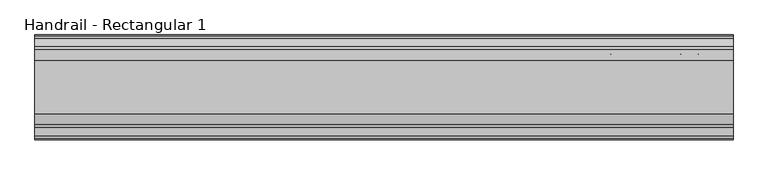
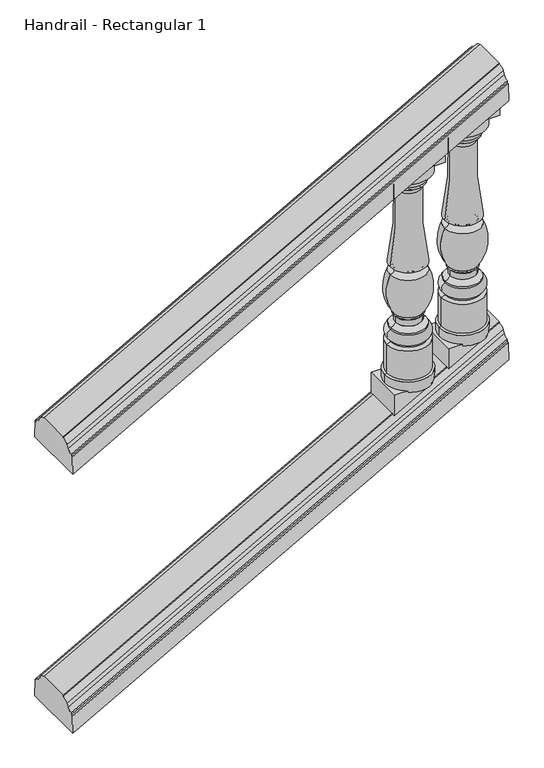
"""IFC4 building model written with IfcOpenShell, lengths in millimetres: railing geometry, Handrail - Rectangular 1."""

from ifc_helpers import new_model, si_unit, point, frame, origin, place, context, project, spatial, polyline, circle_curve, ellipse_curve, trimmed, outline, extrude, source, transform, mapped, element, save
from ifc_brep_helpers import plane_surface, cylinder_surface, revolved_surface, advanced_brep


def handrail_rectangular_1_1efd6c79(model_context):
    return source(origin(), model_context, "Body", "SolidModel", [
        advanced_brep(
        [(3621.9027138, 3915.5232089, 1190.2876381), (3621.9027138, 3932.6436506, 1201.5105164), (3621.9027138, 3939.1037227, 1212.3318474), (3621.9027138, 3963.1482089, 1222.9762638), (3621.9027138, 3963.1482089, 1226.6083333), (3621.9027138, 4079.0357089, 1226.6083333), (3621.9027138, 4079.0357089, 1222.9762638), (3621.9027138, 4103.080195, 1212.3318474), (3621.9027138, 4109.5402671, 1201.5105164), (3621.9027138, 4126.6607089, 1190.2876381), (3621.9027138, 4126.6607089, 1183.0234991), (3621.9027138, 4133.8044589, 1183.0234991), (3621.9027138, 4135.3919589, 1121.2783172), (3621.9027138, 3906.7919589, 1121.2783172), (3621.9027138, 3908.3794589, 1183.0234991), (3621.9027138, 3915.5232089, 1183.0234991), (5145.9027138, 3915.5232089, 2036.9543048), (5145.9027138, 3915.5232089, 2029.6901657), (5145.9027138, 3908.3794589, 2029.6901657), (5145.9027138, 3906.7919589, 1967.9449839), (5145.9027138, 4135.3919589, 1967.9449839), (5145.9027138, 4133.8044589, 2029.6901657), (5145.9027138, 4126.6607089, 2029.6901657), (5145.9027138, 4126.6607089, 2036.9543048), (5145.9027138, 4109.5402671, 2048.177183), (5145.9027138, 4103.080195, 2058.9985141), (5145.9027138, 4079.0357089, 2069.6429305), (5145.9027138, 4079.0357089, 2073.275), (5145.9027138, 3963.1482089, 2073.275), (5145.9027138, 3963.1482089, 2069.6429305), (5145.9027138, 3939.1037227, 2058.9985141), (5145.9027138, 3932.6436506, 2048.177183)],
        [
            (0, 1, ellipse_curve(frame((3621.9027138, 3915.5232089, 1212.9880726), z_axis=(1.0, 0.0, 0.0), x_axis=(0.0, 0.0, 0.9999999999999999)), 22.7004345, 19.84375)),
            (1, 2),
            (2, 3, ellipse_curve(frame((3621.9027138, 3963.1482089, 1182.1154817), z_axis=(-1.0, 0.0, 0.0), x_axis=(0.0, 0.0, -0.9999999999999999)), 40.8607821, 35.71875)),
            (3, 4),
            (4, 5),
            (5, 6),
            (6, 7, ellipse_curve(frame((3621.9027138, 4079.0357089, 1182.1154817), z_axis=(-1.0, 0.0, 0.0), x_axis=(0.0, 0.0, -0.9999999999999999)), 40.8607821, 35.71875)),
            (7, 8),
            (8, 9, ellipse_curve(frame((3621.9027138, 4126.6607089, 1212.9880726), z_axis=(1.0, 0.0, 0.0), x_axis=(0.0, 0.0, 0.9999999999999999)), 22.7004345, 19.84375)),
            (9, 10),
            (10, 11),
            (11, 12),
            (12, 13),
            (13, 14),
            (14, 15),
            (15, 0),
            (16, 17),
            (17, 18),
            (18, 19),
            (19, 20),
            (20, 21),
            (21, 22),
            (22, 23),
            (23, 24, ellipse_curve(frame((5145.9027138, 4126.6607089, 2059.6547393), z_axis=(-1.0, 0.0, 0.0), x_axis=(0.0, 0.0, 0.9999999999999999)), 22.7004345, 19.84375)),
            (24, 25),
            (25, 26, ellipse_curve(frame((5145.9027138, 4079.0357089, 2028.7821484), z_axis=(1.0, 0.0, 0.0), x_axis=(0.0, 0.0, -0.9999999999999999)), 40.8607821, 35.71875)),
            (26, 27),
            (27, 28),
            (28, 29),
            (29, 30, ellipse_curve(frame((5145.9027138, 3963.1482089, 2028.7821484), z_axis=(1.0, 0.0, 0.0), x_axis=(0.0, 0.0, -0.9999999999999999)), 40.8607821, 35.71875)),
            (30, 31),
            (31, 16, ellipse_curve(frame((5145.9027138, 3915.5232089, 2059.6547393), z_axis=(-1.0, 0.0, 0.0), x_axis=(0.0, 0.0, 0.9999999999999999)), 22.7004345, 19.84375)),
            (0, 16),
            (31, 1),
            (30, 2),
            (29, 3),
            (28, 4),
            (27, 5),
            (26, 6),
            (25, 7),
            (24, 8),
            (23, 9),
            (22, 10),
            (21, 11),
            (20, 12),
            (19, 13),
            (18, 14),
            (17, 15),
        ],
        [
            plane_surface(frame((3621.9027138, 4021.0919589, 1226.6083333), z_axis=(-1.0, 0.0, 0.0), x_axis=(0.0, 1.0, 0.0))),
            plane_surface(frame((5145.9027138, 4021.0919589, 2073.275), z_axis=(1.0, 0.0, 0.0), x_axis=(0.0, 1.0, 0.0))),
            revolved_surface(polyline([(5160.412238148919, 3932.643650672254, 2056.238029971944), (3617.138284313958, 3932.643650672254, 1198.8636111748774)]), (3627.6848999, 3915.5232089, 1216.2003983), (0.8741572761215701, 0.0, 0.48564293117857416)),
            plane_surface(frame((3621.9027138, 3932.6436506, 1201.5105164), z_axis=(-0.2738809454168558, -0.8258052588880854, 0.4929857017504176), x_axis=(0.87415727612157, 0.0, 0.48564293117857404))),
            cylinder_surface(frame((3640.7911885, 3963.1482089, 1192.6090788), z_axis=(-0.87415727612157, 0.0, -0.48564293117857404), x_axis=(-0.48564293117857404, 0.0, 0.87415727612157)), 35.71875),
            plane_surface(frame((3621.9027138, 3963.1482089, 1222.9762638), z_axis=(0.0, -1.0, 0.0), x_axis=(0.87415727612157, 0.0, 0.48564293117857404))),
            plane_surface(frame((3621.9027138, 3963.1482089, 1226.6083333), z_axis=(-0.48564293117857404, 0.0, 0.87415727612157), x_axis=(0.87415727612157, 0.0, 0.48564293117857404))),
            plane_surface(frame((3621.9027138, 4079.0357089, 1226.6083333), z_axis=(0.0, 1.0, 0.0), x_axis=(0.87415727612157, 0.0, 0.48564293117857404))),
            cylinder_surface(frame((3640.7911885, 4079.0357089, 1192.6090788), z_axis=(-0.87415727612157, 0.0, -0.48564293117857404), x_axis=(-0.48564293117857404, 0.0, 0.87415727612157)), 35.71875),
            plane_surface(frame((3621.9027138, 4103.080195, 1212.3318474), z_axis=(-0.27388094541685143, 0.8258052588880916, 0.4929857017504096), x_axis=(0.87415727612157, 0.0, 0.48564293117857404))),
            revolved_surface(polyline([(5160.412238148919, 4109.540267127746, 2056.2380299719434), (3617.138284313958, 4109.540267127746, 1198.8636111748774)]), (3627.6848999, 4126.6607089, 1216.2003983), (0.87415727612157, 0.0, 0.48564293117857404)),
            plane_surface(frame((3621.9027138, 4126.6607089, 1190.2876381), z_axis=(0.0, 1.0, 0.0), x_axis=(0.87415727612157, 0.0, 0.48564293117857404))),
            plane_surface(frame((3621.9027138, 4126.6607089, 1183.0234991), z_axis=(-0.48564293117857404, 0.0, 0.87415727612157), x_axis=(0.87415727612157, 0.0, 0.48564293117857404))),
            plane_surface(frame((3621.9027138, 4133.8044589, 1183.0234991), z_axis=(-0.014277441593813292, 0.9995677544643531, 0.025699394868867947), x_axis=(0.87415727612157, 0.0, 0.48564293117857404))),
            plane_surface(frame((3621.9027138, 4135.3919589, 1121.2783172), z_axis=(0.48564293117857404, 0.0, -0.87415727612157), x_axis=(0.87415727612157, 0.0, 0.48564293117857404))),
            plane_surface(frame((3621.9027138, 3906.7919589, 1121.2783172), z_axis=(-0.014277441593813443, -0.9995677544643531, 0.025699394868868217), x_axis=(0.87415727612157, 0.0, 0.48564293117857404))),
            plane_surface(frame((3621.9027138, 3908.3794589, 1183.0234991), z_axis=(-0.48564293117857404, 0.0, 0.87415727612157), x_axis=(0.87415727612157, 0.0, 0.48564293117857404))),
            plane_surface(frame((3621.9027138, 3915.5232089, 1183.0234991), z_axis=(0.0, -1.0, 0.0), x_axis=(0.87415727612157, 0.0, 0.48564293117857404))),
        ],
        [
            (0, [[1, 2, 3, 4, 5, 6, 7, 8, 9, 10, 11, 12, 13, 14, 15, 16]]),
            (1, [[17, 18, 19, 20, 21, 22, 23, 24, 25, 26, 27, 28, 29, 30, 31, 32]]),
            (2, [[-1, 33, -32, 34]]),
            (3, [[-2, -34, -31, 35]]),
            (4, [[-3, -35, -30, 36]]),
            (5, [[-4, -36, -29, 37]]),
            (6, [[-5, -37, -28, 38]]),
            (7, [[-6, -38, -27, 39]]),
            (8, [[-7, -39, -26, 40]]),
            (9, [[-8, -40, -25, 41]]),
            (10, [[-9, -41, -24, 42]]),
            (11, [[-10, -42, -23, 43]]),
            (12, [[-11, -43, -22, 44]]),
            (13, [[-12, -44, -21, 45]]),
            (14, [[-13, -45, -20, 46]]),
            (15, [[-14, -46, -19, 47]]),
            (16, [[-15, -47, -18, 48]]),
            (17, [[-16, -48, -17, -33]]),
        ],
    ),
        advanced_brep(
        [(3621.9027138, 3915.5232089, 234.6126381), (3621.9027138, 3932.6436506, 245.8355164), (3621.9027138, 3939.1037227, 256.6568474), (3621.9027138, 3963.1482089, 267.3012638), (3621.9027138, 3963.1482089, 270.9333333), (3621.9027138, 4079.0357089, 270.9333333), (3621.9027138, 4079.0357089, 267.3012638), (3621.9027138, 4103.080195, 256.6568474), (3621.9027138, 4109.5402671, 245.8355164), (3621.9027138, 4126.6607089, 234.6126381), (3621.9027138, 4126.6607089, 227.3484991), (3621.9027138, 4133.8044589, 227.3484991), (3621.9027138, 4135.3919589, 165.6033172), (3621.9027138, 3906.7919589, 165.6033172), (3621.9027138, 3908.3794589, 227.3484991), (3621.9027138, 3915.5232089, 227.3484991), (5145.9027138, 3915.5232089, 1081.2793048), (5145.9027138, 3915.5232089, 1074.0151657), (5145.9027138, 3908.3794589, 1074.0151657), (5145.9027138, 3906.7919589, 1012.2699839), (5145.9027138, 4135.3919589, 1012.2699839), (5145.9027138, 4133.8044589, 1074.0151657), (5145.9027138, 4126.6607089, 1074.0151657), (5145.9027138, 4126.6607089, 1081.2793048), (5145.9027138, 4109.5402671, 1092.502183), (5145.9027138, 4103.080195, 1103.3235141), (5145.9027138, 4079.0357089, 1113.9679305), (5145.9027138, 4079.0357089, 1117.6), (5145.9027138, 3963.1482089, 1117.6), (5145.9027138, 3963.1482089, 1113.9679305), (5145.9027138, 3939.1037227, 1103.3235141), (5145.9027138, 3932.6436506, 1092.502183)],
        [
            (0, 1, ellipse_curve(frame((3621.9027138, 3915.5232089, 257.3130726), z_axis=(1.0, 0.0, 0.0), x_axis=(0.0, 0.0, 0.9999999999999999)), 22.7004345, 19.84375)),
            (1, 2),
            (2, 3, ellipse_curve(frame((3621.9027138, 3963.1482089, 226.4404817), z_axis=(-1.0, 0.0, 0.0), x_axis=(0.0, 0.0, -0.9999999999999999)), 40.8607821, 35.71875)),
            (3, 4),
            (4, 5),
            (5, 6),
            (6, 7, ellipse_curve(frame((3621.9027138, 4079.0357089, 226.4404817), z_axis=(-1.0, 0.0, 0.0), x_axis=(0.0, 0.0, -0.9999999999999999)), 40.8607821, 35.71875)),
            (7, 8),
            (8, 9, ellipse_curve(frame((3621.9027138, 4126.6607089, 257.3130726), z_axis=(1.0, 0.0, 0.0), x_axis=(0.0, 0.0, 0.9999999999999999)), 22.7004345, 19.84375)),
            (9, 10),
            (10, 11),
            (11, 12),
            (12, 13),
            (13, 14),
            (14, 15),
            (15, 0),
            (16, 17),
            (17, 18),
            (18, 19),
            (19, 20),
            (20, 21),
            (21, 22),
            (22, 23),
            (23, 24, ellipse_curve(frame((5145.9027138, 4126.6607089, 1103.9797393), z_axis=(-1.0, 0.0, 0.0), x_axis=(0.0, 0.0, 0.9999999999999999)), 22.7004345, 19.84375)),
            (24, 25),
            (25, 26, ellipse_curve(frame((5145.9027138, 4079.0357089, 1073.1071484), z_axis=(1.0, 0.0, 0.0), x_axis=(0.0, 0.0, -0.9999999999999999)), 40.8607821, 35.71875)),
            (26, 27),
            (27, 28),
            (28, 29),
            (29, 30, ellipse_curve(frame((5145.9027138, 3963.1482089, 1073.1071484), z_axis=(1.0, 0.0, 0.0), x_axis=(0.0, 0.0, -0.9999999999999999)), 40.8607821, 35.71875)),
            (30, 31),
            (31, 16, ellipse_curve(frame((5145.9027138, 3915.5232089, 1103.9797393), z_axis=(-1.0, 0.0, 0.0), x_axis=(0.0, 0.0, 0.9999999999999999)), 22.7004345, 19.84375)),
            (0, 16),
            (31, 1),
            (30, 2),
            (29, 3),
            (28, 4),
            (27, 5),
            (26, 6),
            (25, 7),
            (24, 8),
            (23, 9),
            (22, 10),
            (21, 11),
            (20, 12),
            (19, 13),
            (18, 14),
            (17, 15),
        ],
        [
            plane_surface(frame((3621.9027138, 4021.0919589, 270.9333333), z_axis=(-1.0, 0.0, 0.0), x_axis=(0.0, 1.0, 0.0))),
            plane_surface(frame((5145.9027138, 4021.0919589, 1117.6), z_axis=(1.0, 0.0, 0.0), x_axis=(0.0, 1.0, 0.0))),
            revolved_surface(polyline([(5160.412238148919, 3932.643650672254, 1100.5630299719437), (3617.138284313958, 3932.643650672254, 243.1886111748774)]), (3627.6848999, 3915.5232089, 260.5253983), (0.8741572761215701, 0.0, 0.48564293117857416)),
            plane_surface(frame((3621.9027138, 3932.6436506, 245.8355164), z_axis=(-0.2738809454168558, -0.8258052588880854, 0.4929857017504176), x_axis=(0.87415727612157, 0.0, 0.48564293117857404))),
            cylinder_surface(frame((3640.7911885, 3963.1482089, 236.9340788), z_axis=(-0.87415727612157, 0.0, -0.48564293117857404), x_axis=(-0.48564293117857404, 0.0, 0.87415727612157)), 35.71875),
            plane_surface(frame((3621.9027138, 3963.1482089, 267.3012638), z_axis=(0.0, -1.0, 0.0), x_axis=(0.87415727612157, 0.0, 0.48564293117857404))),
            plane_surface(frame((3621.9027138, 3963.1482089, 270.9333333), z_axis=(-0.48564293117857404, 0.0, 0.87415727612157), x_axis=(0.87415727612157, 0.0, 0.48564293117857404))),
            plane_surface(frame((3621.9027138, 4079.0357089, 270.9333333), z_axis=(0.0, 1.0, 0.0), x_axis=(0.87415727612157, 0.0, 0.48564293117857404))),
            cylinder_surface(frame((3640.7911885, 4079.0357089, 236.9340788), z_axis=(-0.87415727612157, 0.0, -0.48564293117857404), x_axis=(-0.48564293117857404, 0.0, 0.87415727612157)), 35.71875),
            plane_surface(frame((3621.9027138, 4103.080195, 256.6568474), z_axis=(-0.27388094541685143, 0.8258052588880916, 0.4929857017504096), x_axis=(0.87415727612157, 0.0, 0.48564293117857404))),
            revolved_surface(polyline([(5160.412238148918, 4109.540267127746, 1100.5630299719435), (3617.138284313958, 4109.540267127746, 243.18861117487748)]), (3627.6848999, 4126.6607089, 260.5253983), (0.87415727612157, 0.0, 0.48564293117857404)),
            plane_surface(frame((3621.9027138, 4126.6607089, 234.6126381), z_axis=(0.0, 1.0, 0.0), x_axis=(0.87415727612157, 0.0, 0.48564293117857404))),
            plane_surface(frame((3621.9027138, 4126.6607089, 227.3484991), z_axis=(-0.48564293117857404, 0.0, 0.87415727612157), x_axis=(0.87415727612157, 0.0, 0.48564293117857404))),
            plane_surface(frame((3621.9027138, 4133.8044589, 227.3484991), z_axis=(-0.014277441593813292, 0.9995677544643531, 0.025699394868867947), x_axis=(0.87415727612157, 0.0, 0.48564293117857404))),
            plane_surface(frame((3621.9027138, 4135.3919589, 165.6033172), z_axis=(0.48564293117857404, 0.0, -0.87415727612157), x_axis=(0.87415727612157, 0.0, 0.48564293117857404))),
            plane_surface(frame((3621.9027138, 3906.7919589, 165.6033172), z_axis=(-0.014277441593813443, -0.9995677544643531, 0.025699394868868217), x_axis=(0.87415727612157, 0.0, 0.48564293117857404))),
            plane_surface(frame((3621.9027138, 3908.3794589, 227.3484991), z_axis=(-0.48564293117857404, 0.0, 0.87415727612157), x_axis=(0.87415727612157, 0.0, 0.48564293117857404))),
            plane_surface(frame((3621.9027138, 3915.5232089, 227.3484991), z_axis=(0.0, -1.0, 0.0), x_axis=(0.87415727612157, 0.0, 0.48564293117857404))),
        ],
        [
            (0, [[1, 2, 3, 4, 5, 6, 7, 8, 9, 10, 11, 12, 13, 14, 15, 16]]),
            (1, [[17, 18, 19, 20, 21, 22, 23, 24, 25, 26, 27, 28, 29, 30, 31, 32]]),
            (2, [[-1, 33, -32, 34]]),
            (3, [[-2, -34, -31, 35]]),
            (4, [[-3, -35, -30, 36]]),
            (5, [[-4, -36, -29, 37]]),
            (6, [[-5, -37, -28, 38]]),
            (7, [[-6, -38, -27, 39]]),
            (8, [[-7, -39, -26, 40]]),
            (9, [[-8, -40, -25, 41]]),
            (10, [[-9, -41, -24, 42]]),
            (11, [[-10, -42, -23, 43]]),
            (12, [[-11, -43, -22, 44]]),
            (13, [[-12, -44, -21, 45]]),
            (14, [[-13, -45, -20, 46]]),
            (15, [[-14, -46, -19, 47]]),
            (16, [[-15, -47, -18, 48]]),
            (17, [[-16, -48, -17, -33]]),
        ],
    ),
        advanced_brep(
        [(5050.6527138, 4021.0919589, 1896.2558253), (4971.2777138, 4021.0919589, 1896.2558253), (5130.0277138, 4021.0919589, 1896.2558253), (5131.6152138, 4021.0919589, 1083.4558253), (4969.6902138, 4021.0919589, 1083.4558253), (5050.6527138, 4021.0919589, 1083.4558253), (5131.6152138, 4021.0919589, 1121.7343794), (4969.6902138, 4021.0919589, 1121.7343794), (5124.4714638, 4021.0919589, 1124.7308253), (4976.8339638, 4021.0919589, 1124.7308253), (5124.4714638, 4021.0919589, 1231.1893537), (4976.8339638, 4021.0919589, 1231.1893537), (5111.7714638, 4021.0919589, 1236.6495753), (4989.5339638, 4021.0919589, 1236.6495753), (5111.7714638, 4021.0919589, 1242.9995753), (4989.5339638, 4021.0919589, 1242.9995753), (5111.7714638, 4021.0919589, 1281.0995753), (4989.5339638, 4021.0919589, 1281.0995753), (5111.7714638, 4021.0919589, 1287.4495753), (4989.5339638, 4021.0919589, 1287.4495753), (5096.0645677, 4021.0919589, 1303.7319843), (5005.2408598, 4021.0919589, 1303.7319843), (5096.0645677, 4021.0919589, 1325.3464512), (5005.2408598, 4021.0919589, 1325.3464512), (5100.6589638, 4021.0919589, 1330.3120753), (5000.6464638, 4021.0919589, 1330.3120753), (5100.6589638, 4021.0919589, 1337.9401011), (5000.6464638, 4021.0919589, 1337.9401011), (5113.3589638, 4021.0919589, 1484.2995753), (4987.9464638, 4021.0919589, 1484.2995753), (5113.3589638, 4021.0919589, 1512.8745753), (4987.9464638, 4021.0919589, 1512.8745753), (5094.8248619, 4021.0919589, 1792.6271858), (5006.4805656, 4021.0919589, 1792.6271858), (5107.8027138, 4021.0919589, 1814.4995753), (4993.5027138, 4021.0919589, 1814.4995753), (5107.8027138, 4021.0919589, 1823.2308253), (4993.5027138, 4021.0919589, 1823.2308253), (5118.9152138, 4021.0919589, 1848.6308253), (4982.3902138, 4021.0919589, 1848.6308253), (5130.0277138, 4021.0919589, 1851.8058253), (4971.2777138, 4021.0919589, 1851.8058253)],
        [
            (0, 1),
            (1, 2, circle_curve(frame((5050.6527138, 4021.0919589, 1896.2558253), z_axis=(0.0, 0.0, 1.0), x_axis=(-1.0, 0.0, 0.0)), 79.375)),
            (2, 0),
            (2, 1, circle_curve(frame((5050.6527138, 4021.0919589, 1896.2558253), z_axis=(0.0, 0.0, 1.0), x_axis=(-1.0, 0.0, 0.0)), 79.375)),
            (3, 4, circle_curve(frame((5050.6527138, 4021.0919589, 1083.4558253), z_axis=(0.0, 0.0, -1.0), x_axis=(-1.0, 0.0, 0.0)), 80.9625)),
            (4, 5),
            (5, 3),
            (4, 3, circle_curve(frame((5050.6527138, 4021.0919589, 1083.4558253), z_axis=(0.0, 0.0, -1.0), x_axis=(-1.0, 0.0, 0.0)), 80.9625)),
            (6, 7, circle_curve(frame((5050.6527138, 4021.0919589, 1121.7343794), z_axis=(0.0, 0.0, -1.0), x_axis=(-1.0, 0.0, 0.0)), 80.9625)),
            (7, 4),
            (3, 6),
            (7, 6, circle_curve(frame((5050.6527138, 4021.0919589, 1121.7343794), z_axis=(0.0, 0.0, -1.0), x_axis=(-1.0, 0.0, 0.0)), 80.9625)),
            (8, 9, circle_curve(frame((5050.6527138, 4021.0919589, 1124.7308253), z_axis=(0.0, 0.0, -1.0), x_axis=(-1.0, 0.0, 0.0)), 73.81875)),
            (9, 7),
            (6, 8),
            (9, 8, circle_curve(frame((5050.6527138, 4021.0919589, 1124.7308253), z_axis=(0.0, 0.0, -1.0), x_axis=(-1.0, 0.0, 0.0)), 73.81875)),
            (10, 11, circle_curve(frame((5050.6527138, 4021.0919589, 1231.1893537), z_axis=(0.0, 0.0, -1.0), x_axis=(-1.0, 0.0, 0.0)), 73.81875)),
            (11, 9),
            (8, 10),
            (11, 10, circle_curve(frame((5050.6527138, 4021.0919589, 1231.1893537), z_axis=(0.0, 0.0, -1.0), x_axis=(-1.0, 0.0, 0.0)), 73.81875)),
            (12, 13, circle_curve(frame((5050.6527138, 4021.0919589, 1236.6495753), z_axis=(0.0, 0.0, -1.0), x_axis=(-1.0, 0.0, 0.0)), 61.11875)),
            (13, 11),
            (10, 12),
            (13, 12, circle_curve(frame((5050.6527138, 4021.0919589, 1236.6495753), z_axis=(0.0, 0.0, -1.0), x_axis=(-1.0, 0.0, 0.0)), 61.11875)),
            (14, 15, circle_curve(frame((5050.6527138, 4021.0919589, 1242.9995753), z_axis=(0.0, 0.0, -1.0), x_axis=(-1.0, 0.0, 0.0)), 61.11875)),
            (15, 13),
            (12, 14),
            (15, 14, circle_curve(frame((5050.6527138, 4021.0919589, 1242.9995753), z_axis=(0.0, 0.0, -1.0), x_axis=(-1.0, 0.0, 0.0)), 61.11875)),
            (16, 17, circle_curve(frame((5050.6527138, 4021.0919589, 1281.0995753), z_axis=(0.0, 0.0, -1.0), x_axis=(-1.0, 0.0, 0.0)), 61.11875)),
            (17, 15, circle_curve(frame((4997.799274, 4021.0919589, 1262.0495753), z_axis=(0.0, -1.0, 0.0), x_axis=(1.0, 0.0, 0.0)), 20.7657856)),
            (14, 16, circle_curve(frame((5103.5061535, 4021.0919589, 1262.0495753), z_axis=(0.0, -1.0, 0.0), x_axis=(-1.0, 0.0, 0.0)), 20.7657856)),
            (17, 16, circle_curve(frame((5050.6527138, 4021.0919589, 1281.0995753), z_axis=(0.0, 0.0, -1.0), x_axis=(-1.0, 0.0, 0.0)), 61.11875)),
            (18, 19, circle_curve(frame((5050.6527138, 4021.0919589, 1287.4495753), z_axis=(0.0, 0.0, -1.0), x_axis=(-1.0, 0.0, 0.0)), 61.11875)),
            (19, 17),
            (16, 18),
            (19, 18, circle_curve(frame((5050.6527138, 4021.0919589, 1287.4495753), z_axis=(0.0, 0.0, -1.0), x_axis=(-1.0, 0.0, 0.0)), 61.11875)),
            (20, 21, circle_curve(frame((5050.6527138, 4021.0919589, 1303.7319843), z_axis=(0.0, 0.0, -1.0), x_axis=(-1.0, 0.0, 0.0)), 45.4118539)),
            (21, 19, circle_curve(frame((4990.0009363, 4021.0919589, 1302.7161752), z_axis=(0.0, 1.0, 0.0), x_axis=(1.0, 0.0, 0.0)), 15.2737402)),
            (18, 20, circle_curve(frame((5111.3044912, 4021.0919589, 1302.7161752), z_axis=(0.0, 1.0, 0.0), x_axis=(-1.0, 0.0, 0.0)), 15.2737402)),
            (21, 20, circle_curve(frame((5050.6527138, 4021.0919589, 1303.7319843), z_axis=(0.0, 0.0, -1.0), x_axis=(-1.0, 0.0, 0.0)), 45.4118539)),
            (22, 23, circle_curve(frame((5050.6527138, 4021.0919589, 1325.3464512), z_axis=(0.0, 0.0, -1.0), x_axis=(-1.0, 0.0, 0.0)), 45.4118539)),
            (23, 21),
            (20, 22),
            (23, 22, circle_curve(frame((5050.6527138, 4021.0919589, 1325.3464512), z_axis=(0.0, 0.0, -1.0), x_axis=(-1.0, 0.0, 0.0)), 45.4118539)),
            (24, 25, circle_curve(frame((5050.6527138, 4021.0919589, 1330.3120753), z_axis=(0.0, 0.0, -1.0), x_axis=(-1.0, 0.0, 0.0)), 50.00625)),
            (25, 23, circle_curve(frame((5000.3946173, 4021.0919589, 1325.4707842), z_axis=(0.0, 1.0, 0.0), x_axis=(1.0, 0.0, 0.0)), 4.8478372)),
            (22, 24, circle_curve(frame((5100.9108102, 4021.0919589, 1325.4707842), z_axis=(0.0, 1.0, 0.0), x_axis=(-1.0, 0.0, 0.0)), 4.8478372)),
            (25, 24, circle_curve(frame((5050.6527138, 4021.0919589, 1330.3120753), z_axis=(0.0, 0.0, -1.0), x_axis=(-1.0, 0.0, 0.0)), 50.00625)),
            (26, 27, circle_curve(frame((5050.6527138, 4021.0919589, 1337.9401011), z_axis=(0.0, 0.0, -1.0), x_axis=(-1.0, 0.0, 0.0)), 50.00625)),
            (27, 25),
            (24, 26),
            (27, 26, circle_curve(frame((5050.6527138, 4021.0919589, 1337.9401011), z_axis=(0.0, 0.0, -1.0), x_axis=(-1.0, 0.0, 0.0)), 50.00625)),
            (28, 29, circle_curve(frame((5050.6527138, 4021.0919589, 1484.2995753), z_axis=(0.0, 0.0, -1.0), x_axis=(-1.0, 0.0, 0.0)), 62.70625)),
            (29, 27, circle_curve(frame((5118.2834448, 4021.0919589, 1421.8785176), z_axis=(0.0, -1.0, 0.0), x_axis=(1.0, 0.0, 0.0)), 144.5133802)),
            (26, 28, circle_curve(frame((4983.0219827, 4021.0919589, 1421.8785176), z_axis=(0.0, -1.0, 0.0), x_axis=(-1.0, 0.0, 0.0)), 144.5133802)),
            (29, 28, circle_curve(frame((5050.6527138, 4021.0919589, 1484.2995753), z_axis=(0.0, 0.0, -1.0), x_axis=(-1.0, 0.0, 0.0)), 62.70625)),
            (30, 31, circle_curve(frame((5050.6527138, 4021.0919589, 1512.8745753), z_axis=(0.0, 0.0, -1.0), x_axis=(-1.0, 0.0, 0.0)), 62.70625)),
            (31, 29, circle_curve(frame((4988.794587, 4021.0919589, 1498.5870753), z_axis=(0.0, 1.0, 0.0), x_axis=(1.0, 0.0, 0.0)), 14.3126507)),
            (28, 30, circle_curve(frame((5112.5108405, 4021.0919589, 1498.5870753), z_axis=(0.0, 1.0, 0.0), x_axis=(-1.0, 0.0, 0.0)), 14.3126507)),
            (31, 30, circle_curve(frame((5050.6527138, 4021.0919589, 1512.8745753), z_axis=(0.0, 0.0, -1.0), x_axis=(-1.0, 0.0, 0.0)), 62.70625)),
            (32, 33, circle_curve(frame((5050.6527138, 4021.0919589, 1792.6271858), z_axis=(0.0, 0.0, -1.0), x_axis=(-1.0, 0.0, 0.0)), 44.1721482)),
            (33, 31, circle_curve(frame((3876.6612152, 4021.0919589, 1726.9894387), z_axis=(0.0, 1.0, 0.0), x_axis=(1.0, 0.0, 0.0)), 1131.7243827)),
            (30, 32, circle_curve(frame((6224.6442123, 4021.0919589, 1726.9894387), z_axis=(0.0, 1.0, 0.0), x_axis=(-1.0, 0.0, 0.0)), 1131.7243827)),
            (33, 32, circle_curve(frame((5050.6527138, 4021.0919589, 1792.6271858), z_axis=(0.0, 0.0, -1.0), x_axis=(-1.0, 0.0, 0.0)), 44.1721482)),
            (34, 35, circle_curve(frame((5050.6527138, 4021.0919589, 1814.4995753), z_axis=(0.0, 0.0, -1.0), x_axis=(-1.0, 0.0, 0.0)), 57.15)),
            (35, 33, circle_curve(frame((4985.4582609, 4021.0919589, 1794.9400869), z_axis=(0.0, 1.0, 0.0), x_axis=(1.0, 0.0, 0.0)), 21.1491562)),
            (32, 34, circle_curve(frame((5115.8471666, 4021.0919589, 1794.9400869), z_axis=(0.0, 1.0, 0.0), x_axis=(-1.0, 0.0, 0.0)), 21.1491562)),
            (35, 34, circle_curve(frame((5050.6527138, 4021.0919589, 1814.4995753), z_axis=(0.0, 0.0, -1.0), x_axis=(-1.0, 0.0, 0.0)), 57.15)),
            (36, 37, circle_curve(frame((5050.6527138, 4021.0919589, 1823.2308253), z_axis=(0.0, 0.0, -1.0), x_axis=(-1.0, 0.0, 0.0)), 57.15)),
            (37, 35),
            (34, 36),
            (37, 36, circle_curve(frame((5050.6527138, 4021.0919589, 1823.2308253), z_axis=(0.0, 0.0, -1.0), x_axis=(-1.0, 0.0, 0.0)), 57.15)),
            (38, 39, circle_curve(frame((5050.6527138, 4021.0919589, 1848.6308253), z_axis=(0.0, 0.0, -1.0), x_axis=(-1.0, 0.0, 0.0)), 68.2625)),
            (39, 37, circle_curve(frame((5011.7278186, 4021.0919589, 1846.335168), z_axis=(0.0, -1.0, 0.0), x_axis=(1.0, 0.0, 0.0)), 29.4272849)),
            (36, 38, circle_curve(frame((5089.5776089, 4021.0919589, 1846.335168), z_axis=(0.0, -1.0, 0.0), x_axis=(-1.0, 0.0, 0.0)), 29.4272849)),
            (39, 38, circle_curve(frame((5050.6527138, 4021.0919589, 1848.6308253), z_axis=(0.0, 0.0, -1.0), x_axis=(-1.0, 0.0, 0.0)), 68.2625)),
            (40, 41, circle_curve(frame((5050.6527138, 4021.0919589, 1851.8058253), z_axis=(0.0, 0.0, -1.0), x_axis=(-1.0, 0.0, 0.0)), 79.375)),
            (41, 39),
            (38, 40),
            (41, 40, circle_curve(frame((5050.6527138, 4021.0919589, 1851.8058253), z_axis=(0.0, 0.0, -1.0), x_axis=(-1.0, 0.0, 0.0)), 79.375)),
            (1, 41),
            (40, 2),
        ],
        [
            plane_surface(frame((5050.6527138, 4021.0919589, 1896.2558253), z_axis=(0.0, 0.0, 1.0), x_axis=(-1.0, 0.0, 0.0))),
            plane_surface(frame((5050.6527138, 4021.0919589, 1083.4558253), z_axis=(0.0, 0.0, -1.0), x_axis=(-1.0, 0.0, 0.0))),
            cylinder_surface(frame((5050.6527138, 4021.0919589, 1966.1058253), z_axis=(0.0, 0.0, 1.0), x_axis=(-1.0, 0.0, 0.0)), 80.9625),
            revolved_surface(polyline([(4969.6902138, 4021.0919589, 1121.7343794), (4976.8339638, 4021.0919589, 1124.7308253)]), (5050.6527138, 4021.0919589, 1966.1058253), (0.0, 0.0, 1.0)),
            cylinder_surface(frame((5050.6527138, 4021.0919589, 1966.1058253), z_axis=(0.0, 0.0, 1.0), x_axis=(-1.0, 0.0, 0.0)), 73.81875),
            revolved_surface(polyline([(4976.8339638, 4021.0919589, 1231.1893537), (4989.5339638, 4021.0919589, 1236.6495753)]), (5050.6527138, 4021.0919589, 1966.1058253), (0.0, 0.0, 1.0)),
            cylinder_surface(frame((5050.6527138, 4021.0919589, 1966.1058253), z_axis=(0.0, 0.0, 1.0), x_axis=(-1.0, 0.0, 0.0)), 61.11875),
            revolved_surface(trimmed(ellipse_curve(frame((4997.799274, 4021.0919589, 1262.0495753), z_axis=(0.0, 1.0, 0.0), x_axis=(1.0, 0.0, 0.0)), 20.7657856, 20.7657856), [point((4989.5339638, 4021.0919589, 1242.9995753))], [point((4989.5339638, 4021.0919589, 1281.0995753))], True, "CARTESIAN"), (5050.6527138, 4021.0919589, 1966.1058253), (0.0, 0.0, 1.0)),
            revolved_surface(trimmed(ellipse_curve(frame((4990.0009363, 4021.0919589, 1302.7161752), z_axis=(0.0, -1.0, 0.0), x_axis=(1.0, 0.0, 0.0)), 15.2737402, 15.2737402), [point((4989.5339638, 4021.0919589, 1287.4495753))], [point((5005.2408598, 4021.0919589, 1303.7319843))], True, "CARTESIAN"), (5050.6527138, 4021.0919589, 1966.1058253), (0.0, 0.0, 1.0)),
            cylinder_surface(frame((5050.6527138, 4021.0919589, 1966.1058253), z_axis=(0.0, 0.0, 1.0), x_axis=(-1.0, 0.0, 0.0)), 45.4118539),
            revolved_surface(trimmed(ellipse_curve(frame((5000.3946173, 4021.0919589, 1325.4707842), z_axis=(0.0, -1.0, 0.0), x_axis=(1.0, 0.0, 0.0)), 4.8478372, 4.8478372), [point((5005.2408598, 4021.0919589, 1325.3464512))], [point((5000.6464638, 4021.0919589, 1330.3120753))], True, "CARTESIAN"), (5050.6527138, 4021.0919589, 1966.1058253), (0.0, 0.0, 1.0)),
            cylinder_surface(frame((5050.6527138, 4021.0919589, 1966.1058253), z_axis=(0.0, 0.0, 1.0), x_axis=(-1.0, 0.0, 0.0)), 50.00625),
            revolved_surface(trimmed(ellipse_curve(frame((5118.2834448, 4021.0919589, 1421.8785176), z_axis=(0.0, 1.0, 0.0), x_axis=(1.0, 0.0, 0.0)), 144.5133802, 144.5133802), [point((5000.6464638, 4021.0919589, 1337.9401011))], [point((4987.9464638, 4021.0919589, 1484.2995753))], True, "CARTESIAN"), (5050.6527138, 4021.0919589, 1966.1058253), (0.0, 0.0, 1.0)),
            revolved_surface(trimmed(ellipse_curve(frame((4988.794587, 4021.0919589, 1498.5870753), z_axis=(0.0, -1.0, 0.0), x_axis=(1.0, 0.0, 0.0)), 14.3126507, 14.3126507), [point((4987.9464638, 4021.0919589, 1484.2995753))], [point((4987.9464638, 4021.0919589, 1512.8745753))], True, "CARTESIAN"), (5050.6527138, 4021.0919589, 1966.1058253), (0.0, 0.0, 1.0)),
            revolved_surface(trimmed(ellipse_curve(frame((3876.6612152, 4021.0919589, 1726.9894387), z_axis=(0.0, -1.0, 0.0), x_axis=(1.0, 0.0, 0.0)), 1131.7243827, 1131.7243827), [point((4987.9464638, 4021.0919589, 1512.8745753))], [point((5006.4805656, 4021.0919589, 1792.6271858))], True, "CARTESIAN"), (5050.6527138, 4021.0919589, 1966.1058253), (0.0, 0.0, 1.0)),
            revolved_surface(trimmed(ellipse_curve(frame((4985.4582609, 4021.0919589, 1794.9400869), z_axis=(0.0, -1.0, 0.0), x_axis=(1.0, 0.0, 0.0)), 21.1491562, 21.1491562), [point((5006.4805656, 4021.0919589, 1792.6271858))], [point((4993.5027138, 4021.0919589, 1814.4995753))], True, "CARTESIAN"), (5050.6527138, 4021.0919589, 1966.1058253), (0.0, 0.0, 1.0)),
            cylinder_surface(frame((5050.6527138, 4021.0919589, 1966.1058253), z_axis=(0.0, 0.0, 1.0), x_axis=(-1.0, 0.0, 0.0)), 57.15),
            revolved_surface(trimmed(ellipse_curve(frame((5011.7278186, 4021.0919589, 1846.335168), z_axis=(0.0, 1.0, 0.0), x_axis=(1.0, 0.0, 0.0)), 29.4272849, 29.4272849), [point((4993.5027138, 4021.0919589, 1823.2308253))], [point((4982.3902138, 4021.0919589, 1848.6308253))], True, "CARTESIAN"), (5050.6527138, 4021.0919589, 1966.1058253), (0.0, 0.0, 1.0)),
            revolved_surface(polyline([(4982.3902138, 4021.0919589, 1848.6308253), (4971.2777138, 4021.0919589, 1851.8058253)]), (5050.6527138, 4021.0919589, 1966.1058253), (0.0, 0.0, 1.0)),
            cylinder_surface(frame((5050.6527138, 4021.0919589, 1966.1058253), z_axis=(0.0, 0.0, 1.0), x_axis=(-1.0, 0.0, 0.0)), 79.375),
        ],
        [
            (0, [[1, 2, 3]]),
            (0, [[-3, 4, -1]]),
            (1, [[5, 6, 7]]),
            (1, [[8, -7, -6]]),
            (2, [[9, 10, -5, 11]]),
            (2, [[12, -11, -8, -10]]),
            (3, [[13, 14, -9, 15]]),
            (3, [[16, -15, -12, -14]]),
            (4, [[17, 18, -13, 19]]),
            (4, [[20, -19, -16, -18]]),
            (5, [[21, 22, -17, 23]]),
            (5, [[24, -23, -20, -22]]),
            (6, [[25, 26, -21, 27]]),
            (6, [[28, -27, -24, -26]]),
            (7, [[29, 30, -25, 31]]),
            (7, [[32, -31, -28, -30]]),
            (6, [[33, 34, -29, 35]]),
            (6, [[36, -35, -32, -34]]),
            (8, [[37, 38, -33, 39]]),
            (8, [[40, -39, -36, -38]]),
            (9, [[41, 42, -37, 43]]),
            (9, [[44, -43, -40, -42]]),
            (10, [[45, 46, -41, 47]]),
            (10, [[48, -47, -44, -46]]),
            (11, [[49, 50, -45, 51]]),
            (11, [[52, -51, -48, -50]]),
            (12, [[53, 54, -49, 55]]),
            (12, [[56, -55, -52, -54]]),
            (13, [[57, 58, -53, 59]]),
            (13, [[60, -59, -56, -58]]),
            (14, [[61, 62, -57, 63]]),
            (14, [[64, -63, -60, -62]]),
            (15, [[65, 66, -61, 67]]),
            (15, [[68, -67, -64, -66]]),
            (16, [[69, 70, -65, 71]]),
            (16, [[72, -71, -68, -70]]),
            (17, [[73, 74, -69, 75]]),
            (17, [[76, -75, -72, -74]]),
            (18, [[77, 78, -73, 79]]),
            (18, [[80, -79, -76, -78]]),
            (19, [[-2, 81, -77, 82]]),
            (19, [[-4, -82, -80, -81]]),
        ],
    ),
        extrude(outline(polyline([(1090.0833333, 5096.3727138), (1090.0833333, 4961.7527138), (1015.2944444, 4961.7527138), (1090.0833333, 5096.3727138)])), frame((0.0, 3951.2419589, 0.0), z_axis=(0.0, 1.0, 0.0), x_axis=(0.0, 0.0, 1.0)), (0.0, 0.0, 1.0), 139.7),
        extrude(outline(polyline([(1889.6283172, 5004.9327138), (1889.6283172, 5139.5527138), (1964.4172061, 5139.5527138), (1889.6283172, 5004.9327138)])), frame((0.0, 3951.2419589, 0.0), z_axis=(0.0, 1.0, 0.0), x_axis=(0.0, 0.0, 1.0)), (0.0, 0.0, 1.0), 139.7),
        advanced_brep(
        [(4860.1527138, 4021.0919589, 1790.4224919), (4780.7777138, 4021.0919589, 1790.4224919), (4939.5277138, 4021.0919589, 1790.4224919), (4941.1152138, 4021.0919589, 977.6224919), (4779.1902138, 4021.0919589, 977.6224919), (4860.1527138, 4021.0919589, 977.6224919), (4941.1152138, 4021.0919589, 1015.9010461), (4779.1902138, 4021.0919589, 1015.9010461), (4933.9714638, 4021.0919589, 1018.8974919), (4786.3339638, 4021.0919589, 1018.8974919), (4933.9714638, 4021.0919589, 1125.3560203), (4786.3339638, 4021.0919589, 1125.3560203), (4921.2714638, 4021.0919589, 1130.8162419), (4799.0339638, 4021.0919589, 1130.8162419), (4921.2714638, 4021.0919589, 1137.1662419), (4799.0339638, 4021.0919589, 1137.1662419), (4921.2714638, 4021.0919589, 1175.2662419), (4799.0339638, 4021.0919589, 1175.2662419), (4921.2714638, 4021.0919589, 1181.6162419), (4799.0339638, 4021.0919589, 1181.6162419), (4905.5645677, 4021.0919589, 1197.898651), (4814.7408598, 4021.0919589, 1197.898651), (4905.5645677, 4021.0919589, 1219.5131178), (4814.7408598, 4021.0919589, 1219.5131178), (4910.1589638, 4021.0919589, 1224.4787419), (4810.1464638, 4021.0919589, 1224.4787419), (4910.1589638, 4021.0919589, 1232.1067678), (4810.1464638, 4021.0919589, 1232.1067678), (4922.8589638, 4021.0919589, 1378.4662419), (4797.4464638, 4021.0919589, 1378.4662419), (4922.8589638, 4021.0919589, 1407.0412419), (4797.4464638, 4021.0919589, 1407.0412419), (4904.3248619, 4021.0919589, 1686.7938525), (4815.9805656, 4021.0919589, 1686.7938525), (4917.3027138, 4021.0919589, 1708.6662419), (4803.0027138, 4021.0919589, 1708.6662419), (4917.3027138, 4021.0919589, 1717.3974919), (4803.0027138, 4021.0919589, 1717.3974919), (4928.4152138, 4021.0919589, 1742.7974919), (4791.8902138, 4021.0919589, 1742.7974919), (4939.5277138, 4021.0919589, 1745.9724919), (4780.7777138, 4021.0919589, 1745.9724919)],
        [
            (0, 1),
            (1, 2, circle_curve(frame((4860.1527138, 4021.0919589, 1790.4224919), z_axis=(0.0, 0.0, 1.0), x_axis=(-1.0, 0.0, 0.0)), 79.375)),
            (2, 0),
            (2, 1, circle_curve(frame((4860.1527138, 4021.0919589, 1790.4224919), z_axis=(0.0, 0.0, 1.0), x_axis=(-1.0, 0.0, 0.0)), 79.375)),
            (3, 4, circle_curve(frame((4860.1527138, 4021.0919589, 977.6224919), z_axis=(0.0, 0.0, -1.0), x_axis=(-1.0, 0.0, 0.0)), 80.9625)),
            (4, 5),
            (5, 3),
            (4, 3, circle_curve(frame((4860.1527138, 4021.0919589, 977.6224919), z_axis=(0.0, 0.0, -1.0), x_axis=(-1.0, 0.0, 0.0)), 80.9625)),
            (6, 7, circle_curve(frame((4860.1527138, 4021.0919589, 1015.9010461), z_axis=(0.0, 0.0, -1.0), x_axis=(-1.0, 0.0, 0.0)), 80.9625)),
            (7, 4),
            (3, 6),
            (7, 6, circle_curve(frame((4860.1527138, 4021.0919589, 1015.9010461), z_axis=(0.0, 0.0, -1.0), x_axis=(-1.0, 0.0, 0.0)), 80.9625)),
            (8, 9, circle_curve(frame((4860.1527138, 4021.0919589, 1018.8974919), z_axis=(0.0, 0.0, -1.0), x_axis=(-1.0, 0.0, 0.0)), 73.81875)),
            (9, 7),
            (6, 8),
            (9, 8, circle_curve(frame((4860.1527138, 4021.0919589, 1018.8974919), z_axis=(0.0, 0.0, -1.0), x_axis=(-1.0, 0.0, 0.0)), 73.81875)),
            (10, 11, circle_curve(frame((4860.1527138, 4021.0919589, 1125.3560203), z_axis=(0.0, 0.0, -1.0), x_axis=(-1.0, 0.0, 0.0)), 73.81875)),
            (11, 9),
            (8, 10),
            (11, 10, circle_curve(frame((4860.1527138, 4021.0919589, 1125.3560203), z_axis=(0.0, 0.0, -1.0), x_axis=(-1.0, 0.0, 0.0)), 73.81875)),
            (12, 13, circle_curve(frame((4860.1527138, 4021.0919589, 1130.8162419), z_axis=(0.0, 0.0, -1.0), x_axis=(-1.0, 0.0, 0.0)), 61.11875)),
            (13, 11),
            (10, 12),
            (13, 12, circle_curve(frame((4860.1527138, 4021.0919589, 1130.8162419), z_axis=(0.0, 0.0, -1.0), x_axis=(-1.0, 0.0, 0.0)), 61.11875)),
            (14, 15, circle_curve(frame((4860.1527138, 4021.0919589, 1137.1662419), z_axis=(0.0, 0.0, -1.0), x_axis=(-1.0, 0.0, 0.0)), 61.11875)),
            (15, 13),
            (12, 14),
            (15, 14, circle_curve(frame((4860.1527138, 4021.0919589, 1137.1662419), z_axis=(0.0, 0.0, -1.0), x_axis=(-1.0, 0.0, 0.0)), 61.11875)),
            (16, 17, circle_curve(frame((4860.1527138, 4021.0919589, 1175.2662419), z_axis=(0.0, 0.0, -1.0), x_axis=(-1.0, 0.0, 0.0)), 61.11875)),
            (17, 15, circle_curve(frame((4807.299274, 4021.0919589, 1156.2162419), z_axis=(0.0, -1.0, 0.0), x_axis=(1.0, 0.0, 0.0)), 20.7657856)),
            (14, 16, circle_curve(frame((4913.0061535, 4021.0919589, 1156.2162419), z_axis=(0.0, -1.0, 0.0), x_axis=(-1.0, 0.0, 0.0)), 20.7657856)),
            (17, 16, circle_curve(frame((4860.1527138, 4021.0919589, 1175.2662419), z_axis=(0.0, 0.0, -1.0), x_axis=(-1.0, 0.0, 0.0)), 61.11875)),
            (18, 19, circle_curve(frame((4860.1527138, 4021.0919589, 1181.6162419), z_axis=(0.0, 0.0, -1.0), x_axis=(-1.0, 0.0, 0.0)), 61.11875)),
            (19, 17),
            (16, 18),
            (19, 18, circle_curve(frame((4860.1527138, 4021.0919589, 1181.6162419), z_axis=(0.0, 0.0, -1.0), x_axis=(-1.0, 0.0, 0.0)), 61.11875)),
            (20, 21, circle_curve(frame((4860.1527138, 4021.0919589, 1197.898651), z_axis=(0.0, 0.0, -1.0), x_axis=(-1.0, 0.0, 0.0)), 45.4118539)),
            (21, 19, circle_curve(frame((4799.5009363, 4021.0919589, 1196.8828419), z_axis=(0.0, 1.0, 0.0), x_axis=(1.0, 0.0, 0.0)), 15.2737402)),
            (18, 20, circle_curve(frame((4920.8044912, 4021.0919589, 1196.8828419), z_axis=(0.0, 1.0, 0.0), x_axis=(-1.0, 0.0, 0.0)), 15.2737402)),
            (21, 20, circle_curve(frame((4860.1527138, 4021.0919589, 1197.898651), z_axis=(0.0, 0.0, -1.0), x_axis=(-1.0, 0.0, 0.0)), 45.4118539)),
            (22, 23, circle_curve(frame((4860.1527138, 4021.0919589, 1219.5131178), z_axis=(0.0, 0.0, -1.0), x_axis=(-1.0, 0.0, 0.0)), 45.4118539)),
            (23, 21),
            (20, 22),
            (23, 22, circle_curve(frame((4860.1527138, 4021.0919589, 1219.5131178), z_axis=(0.0, 0.0, -1.0), x_axis=(-1.0, 0.0, 0.0)), 45.4118539)),
            (24, 25, circle_curve(frame((4860.1527138, 4021.0919589, 1224.4787419), z_axis=(0.0, 0.0, -1.0), x_axis=(-1.0, 0.0, 0.0)), 50.00625)),
            (25, 23, circle_curve(frame((4809.8946173, 4021.0919589, 1219.6374509), z_axis=(0.0, 1.0, 0.0), x_axis=(1.0, 0.0, 0.0)), 4.8478372)),
            (22, 24, circle_curve(frame((4910.4108102, 4021.0919589, 1219.6374509), z_axis=(0.0, 1.0, 0.0), x_axis=(-1.0, 0.0, 0.0)), 4.8478372)),
            (25, 24, circle_curve(frame((4860.1527138, 4021.0919589, 1224.4787419), z_axis=(0.0, 0.0, -1.0), x_axis=(-1.0, 0.0, 0.0)), 50.00625)),
            (26, 27, circle_curve(frame((4860.1527138, 4021.0919589, 1232.1067678), z_axis=(0.0, 0.0, -1.0), x_axis=(-1.0, 0.0, 0.0)), 50.00625)),
            (27, 25),
            (24, 26),
            (27, 26, circle_curve(frame((4860.1527138, 4021.0919589, 1232.1067678), z_axis=(0.0, 0.0, -1.0), x_axis=(-1.0, 0.0, 0.0)), 50.00625)),
            (28, 29, circle_curve(frame((4860.1527138, 4021.0919589, 1378.4662419), z_axis=(0.0, 0.0, -1.0), x_axis=(-1.0, 0.0, 0.0)), 62.70625)),
            (29, 27, circle_curve(frame((4927.7834448, 4021.0919589, 1316.0451843), z_axis=(0.0, -1.0, 0.0), x_axis=(1.0, 0.0, 0.0)), 144.5133802)),
            (26, 28, circle_curve(frame((4792.5219827, 4021.0919589, 1316.0451843), z_axis=(0.0, -1.0, 0.0), x_axis=(-1.0, 0.0, 0.0)), 144.5133802)),
            (29, 28, circle_curve(frame((4860.1527138, 4021.0919589, 1378.4662419), z_axis=(0.0, 0.0, -1.0), x_axis=(-1.0, 0.0, 0.0)), 62.70625)),
            (30, 31, circle_curve(frame((4860.1527138, 4021.0919589, 1407.0412419), z_axis=(0.0, 0.0, -1.0), x_axis=(-1.0, 0.0, 0.0)), 62.70625)),
            (31, 29, circle_curve(frame((4798.294587, 4021.0919589, 1392.7537419), z_axis=(0.0, 1.0, 0.0), x_axis=(1.0, 0.0, 0.0)), 14.3126507)),
            (28, 30, circle_curve(frame((4922.0108405, 4021.0919589, 1392.7537419), z_axis=(0.0, 1.0, 0.0), x_axis=(-1.0, 0.0, 0.0)), 14.3126507)),
            (31, 30, circle_curve(frame((4860.1527138, 4021.0919589, 1407.0412419), z_axis=(0.0, 0.0, -1.0), x_axis=(-1.0, 0.0, 0.0)), 62.70625)),
            (32, 33, circle_curve(frame((4860.1527138, 4021.0919589, 1686.7938525), z_axis=(0.0, 0.0, -1.0), x_axis=(-1.0, 0.0, 0.0)), 44.1721482)),
            (33, 31, circle_curve(frame((3686.1612152, 4021.0919589, 1621.1561053), z_axis=(0.0, 1.0, 0.0), x_axis=(1.0, 0.0, 0.0)), 1131.7243827)),
            (30, 32, circle_curve(frame((6034.1442123, 4021.0919589, 1621.1561053), z_axis=(0.0, 1.0, 0.0), x_axis=(-1.0, 0.0, 0.0)), 1131.7243827)),
            (33, 32, circle_curve(frame((4860.1527138, 4021.0919589, 1686.7938525), z_axis=(0.0, 0.0, -1.0), x_axis=(-1.0, 0.0, 0.0)), 44.1721482)),
            (34, 35, circle_curve(frame((4860.1527138, 4021.0919589, 1708.6662419), z_axis=(0.0, 0.0, -1.0), x_axis=(-1.0, 0.0, 0.0)), 57.15)),
            (35, 33, circle_curve(frame((4794.9582609, 4021.0919589, 1689.1067536), z_axis=(0.0, 1.0, 0.0), x_axis=(1.0, 0.0, 0.0)), 21.1491562)),
            (32, 34, circle_curve(frame((4925.3471666, 4021.0919589, 1689.1067536), z_axis=(0.0, 1.0, 0.0), x_axis=(-1.0, 0.0, 0.0)), 21.1491562)),
            (35, 34, circle_curve(frame((4860.1527138, 4021.0919589, 1708.6662419), z_axis=(0.0, 0.0, -1.0), x_axis=(-1.0, 0.0, 0.0)), 57.15)),
            (36, 37, circle_curve(frame((4860.1527138, 4021.0919589, 1717.3974919), z_axis=(0.0, 0.0, -1.0), x_axis=(-1.0, 0.0, 0.0)), 57.15)),
            (37, 35),
            (34, 36),
            (37, 36, circle_curve(frame((4860.1527138, 4021.0919589, 1717.3974919), z_axis=(0.0, 0.0, -1.0), x_axis=(-1.0, 0.0, 0.0)), 57.15)),
            (38, 39, circle_curve(frame((4860.1527138, 4021.0919589, 1742.7974919), z_axis=(0.0, 0.0, -1.0), x_axis=(-1.0, 0.0, 0.0)), 68.2625)),
            (39, 37, circle_curve(frame((4821.2278186, 4021.0919589, 1740.5018347), z_axis=(0.0, -1.0, 0.0), x_axis=(1.0, 0.0, 0.0)), 29.4272849)),
            (36, 38, circle_curve(frame((4899.0776089, 4021.0919589, 1740.5018347), z_axis=(0.0, -1.0, 0.0), x_axis=(-1.0, 0.0, 0.0)), 29.4272849)),
            (39, 38, circle_curve(frame((4860.1527138, 4021.0919589, 1742.7974919), z_axis=(0.0, 0.0, -1.0), x_axis=(-1.0, 0.0, 0.0)), 68.2625)),
            (40, 41, circle_curve(frame((4860.1527138, 4021.0919589, 1745.9724919), z_axis=(0.0, 0.0, -1.0), x_axis=(-1.0, 0.0, 0.0)), 79.375)),
            (41, 39),
            (38, 40),
            (41, 40, circle_curve(frame((4860.1527138, 4021.0919589, 1745.9724919), z_axis=(0.0, 0.0, -1.0), x_axis=(-1.0, 0.0, 0.0)), 79.375)),
            (1, 41),
            (40, 2),
        ],
        [
            plane_surface(frame((4860.1527138, 4021.0919589, 1790.4224919), z_axis=(0.0, 0.0, 1.0), x_axis=(-1.0, 0.0, 0.0))),
            plane_surface(frame((4860.1527138, 4021.0919589, 977.6224919), z_axis=(0.0, 0.0, -1.0), x_axis=(-1.0, 0.0, 0.0))),
            cylinder_surface(frame((4860.1527138, 4021.0919589, 1860.2724919), z_axis=(0.0, 0.0, 1.0), x_axis=(-1.0, 0.0, 0.0)), 80.9625),
            revolved_surface(polyline([(4779.1902138, 4021.0919589, 1015.9010461), (4786.3339638, 4021.0919589, 1018.8974919)]), (4860.1527138, 4021.0919589, 1860.2724919), (0.0, 0.0, 1.0)),
            cylinder_surface(frame((4860.1527138, 4021.0919589, 1860.2724919), z_axis=(0.0, 0.0, 1.0), x_axis=(-1.0, 0.0, 0.0)), 73.81875),
            revolved_surface(polyline([(4786.3339638, 4021.0919589, 1125.3560203), (4799.0339638, 4021.0919589, 1130.8162419)]), (4860.1527138, 4021.0919589, 1860.2724919), (0.0, 0.0, 1.0)),
            cylinder_surface(frame((4860.1527138, 4021.0919589, 1860.2724919), z_axis=(0.0, 0.0, 1.0), x_axis=(-1.0, 0.0, 0.0)), 61.11875),
            revolved_surface(trimmed(ellipse_curve(frame((4807.299274, 4021.0919589, 1156.2162419), z_axis=(0.0, 1.0, 0.0), x_axis=(1.0, 0.0, 0.0)), 20.7657856, 20.7657856), [point((4799.0339638, 4021.0919589, 1137.1662419))], [point((4799.0339638, 4021.0919589, 1175.2662419))], True, "CARTESIAN"), (4860.1527138, 4021.0919589, 1860.2724919), (0.0, 0.0, 1.0)),
            revolved_surface(trimmed(ellipse_curve(frame((4799.5009363, 4021.0919589, 1196.8828419), z_axis=(0.0, -1.0, 0.0), x_axis=(1.0, 0.0, 0.0)), 15.2737402, 15.2737402), [point((4799.0339638, 4021.0919589, 1181.6162419))], [point((4814.7408598, 4021.0919589, 1197.898651))], True, "CARTESIAN"), (4860.1527138, 4021.0919589, 1860.2724919), (0.0, 0.0, 1.0)),
            cylinder_surface(frame((4860.1527138, 4021.0919589, 1860.2724919), z_axis=(0.0, 0.0, 1.0), x_axis=(-1.0, 0.0, 0.0)), 45.4118539),
            revolved_surface(trimmed(ellipse_curve(frame((4809.8946173, 4021.0919589, 1219.6374509), z_axis=(0.0, -1.0, 0.0), x_axis=(1.0, 0.0, 0.0)), 4.8478372, 4.8478372), [point((4814.7408598, 4021.0919589, 1219.5131178))], [point((4810.1464638, 4021.0919589, 1224.4787419))], True, "CARTESIAN"), (4860.1527138, 4021.0919589, 1860.2724919), (0.0, 0.0, 1.0)),
            cylinder_surface(frame((4860.1527138, 4021.0919589, 1860.2724919), z_axis=(0.0, 0.0, 1.0), x_axis=(-1.0, 0.0, 0.0)), 50.00625),
            revolved_surface(trimmed(ellipse_curve(frame((4927.7834448, 4021.0919589, 1316.0451843), z_axis=(0.0, 1.0, 0.0), x_axis=(1.0, 0.0, 0.0)), 144.5133802, 144.5133802), [point((4810.1464638, 4021.0919589, 1232.1067678))], [point((4797.4464638, 4021.0919589, 1378.4662419))], True, "CARTESIAN"), (4860.1527138, 4021.0919589, 1860.2724919), (0.0, 0.0, 1.0)),
            revolved_surface(trimmed(ellipse_curve(frame((4798.294587, 4021.0919589, 1392.7537419), z_axis=(0.0, -1.0, 0.0), x_axis=(1.0, 0.0, 0.0)), 14.3126507, 14.3126507), [point((4797.4464638, 4021.0919589, 1378.4662419))], [point((4797.4464638, 4021.0919589, 1407.0412419))], True, "CARTESIAN"), (4860.1527138, 4021.0919589, 1860.2724919), (0.0, 0.0, 1.0)),
            revolved_surface(trimmed(ellipse_curve(frame((3686.1612152, 4021.0919589, 1621.1561053), z_axis=(0.0, -1.0, 0.0), x_axis=(1.0, 0.0, 0.0)), 1131.7243827, 1131.7243827), [point((4797.4464638, 4021.0919589, 1407.0412419))], [point((4815.9805656, 4021.0919589, 1686.7938525))], True, "CARTESIAN"), (4860.1527138, 4021.0919589, 1860.2724919), (0.0, 0.0, 1.0)),
            revolved_surface(trimmed(ellipse_curve(frame((4794.9582609, 4021.0919589, 1689.1067536), z_axis=(0.0, -1.0, 0.0), x_axis=(1.0, 0.0, 0.0)), 21.1491562, 21.1491562), [point((4815.9805656, 4021.0919589, 1686.7938525))], [point((4803.0027138, 4021.0919589, 1708.6662419))], True, "CARTESIAN"), (4860.1527138, 4021.0919589, 1860.2724919), (0.0, 0.0, 1.0)),
            cylinder_surface(frame((4860.1527138, 4021.0919589, 1860.2724919), z_axis=(0.0, 0.0, 1.0), x_axis=(-1.0, 0.0, 0.0)), 57.15),
            revolved_surface(trimmed(ellipse_curve(frame((4821.2278186, 4021.0919589, 1740.5018347), z_axis=(0.0, 1.0, 0.0), x_axis=(1.0, 0.0, 0.0)), 29.4272849, 29.4272849), [point((4803.0027138, 4021.0919589, 1717.3974919))], [point((4791.8902138, 4021.0919589, 1742.7974919))], True, "CARTESIAN"), (4860.1527138, 4021.0919589, 1860.2724919), (0.0, 0.0, 1.0)),
            revolved_surface(polyline([(4791.8902138, 4021.0919589, 1742.7974919), (4780.7777138, 4021.0919589, 1745.9724919)]), (4860.1527138, 4021.0919589, 1860.2724919), (0.0, 0.0, 1.0)),
            cylinder_surface(frame((4860.1527138, 4021.0919589, 1860.2724919), z_axis=(0.0, 0.0, 1.0), x_axis=(-1.0, 0.0, 0.0)), 79.375),
        ],
        [
            (0, [[1, 2, 3]]),
            (0, [[-3, 4, -1]]),
            (1, [[5, 6, 7]]),
            (1, [[8, -7, -6]]),
            (2, [[9, 10, -5, 11]]),
            (2, [[12, -11, -8, -10]]),
            (3, [[13, 14, -9, 15]]),
            (3, [[16, -15, -12, -14]]),
            (4, [[17, 18, -13, 19]]),
            (4, [[20, -19, -16, -18]]),
            (5, [[21, 22, -17, 23]]),
            (5, [[24, -23, -20, -22]]),
            (6, [[25, 26, -21, 27]]),
            (6, [[28, -27, -24, -26]]),
            (7, [[29, 30, -25, 31]]),
            (7, [[32, -31, -28, -30]]),
            (6, [[33, 34, -29, 35]]),
            (6, [[36, -35, -32, -34]]),
            (8, [[37, 38, -33, 39]]),
            (8, [[40, -39, -36, -38]]),
            (9, [[41, 42, -37, 43]]),
            (9, [[44, -43, -40, -42]]),
            (10, [[45, 46, -41, 47]]),
            (10, [[48, -47, -44, -46]]),
            (11, [[49, 50, -45, 51]]),
            (11, [[52, -51, -48, -50]]),
            (12, [[53, 54, -49, 55]]),
            (12, [[56, -55, -52, -54]]),
            (13, [[57, 58, -53, 59]]),
            (13, [[60, -59, -56, -58]]),
            (14, [[61, 62, -57, 63]]),
            (14, [[64, -63, -60, -62]]),
            (15, [[65, 66, -61, 67]]),
            (15, [[68, -67, -64, -66]]),
            (16, [[69, 70, -65, 71]]),
            (16, [[72, -71, -68, -70]]),
            (17, [[73, 74, -69, 75]]),
            (17, [[76, -75, -72, -74]]),
            (18, [[77, 78, -73, 79]]),
            (18, [[80, -79, -76, -78]]),
            (19, [[-2, 81, -77, 82]]),
            (19, [[-4, -82, -80, -81]]),
        ],
    ),
        extrude(outline(polyline([(984.25, 4905.8727138), (984.25, 4771.2527138), (909.4611111, 4771.2527138), (984.25, 4905.8727138)])), frame((0.0, 3951.2419589, 0.0), z_axis=(0.0, 1.0, 0.0), x_axis=(0.0, 0.0, 1.0)), (0.0, 0.0, 1.0), 139.7),
        extrude(outline(polyline([(1783.7949839, 4814.4327138), (1783.7949839, 4949.0527138), (1858.5838728, 4949.0527138), (1783.7949839, 4814.4327138)])), frame((0.0, 3951.2419589, 0.0), z_axis=(0.0, 1.0, 0.0), x_axis=(0.0, 0.0, 1.0)), (0.0, 0.0, 1.0), 139.7),
    ])


if __name__ == "__main__":
    model = new_model("IFC4")
    model_context = context("Model", 3, world=origin())
    ifc_project = project(units=[si_unit("LENGTHUNIT", "METRE", prefix="MILLI")], contexts=[model_context])
    site = spatial("IfcSite", under=ifc_project)
    building = spatial("IfcBuilding", under=site)
    placement = place(None, origin())
    handrail_rectangular_1_shape = handrail_rectangular_1_1efd6c79(model_context)
    element("IfcRailing", 1, ObjectType="Handrail - Rectangular 1", at=placement, inside=building, context=model_context, shape_type="MappedRepresentation", body=[
        mapped(handrail_rectangular_1_shape, transform((0.0, 0.0, 0.0), x_axis=(1.0, 0.0, 0.0), y_axis=(0.0, 1.0, 0.0), z_axis=(0.0, 0.0, 1.0))),
    ])
    save(model, "model.ifc")
